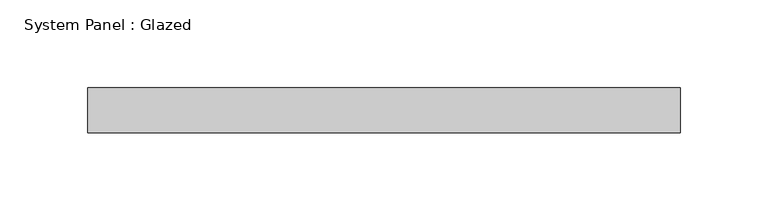
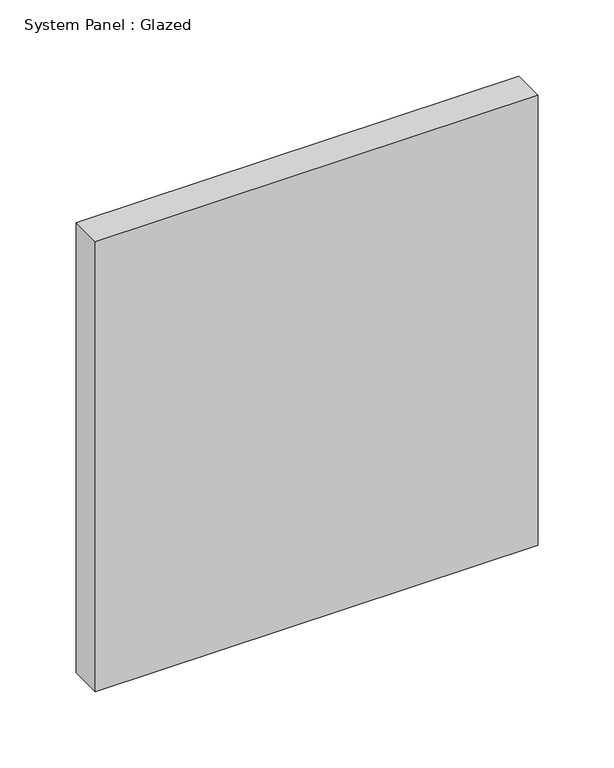
"""IFC4 building model written with IfcOpenShell, lengths in millimetres: plate geometry, System Panel : Glazed."""

from ifc_helpers import new_model, si_unit, origin, origin_with_axes, place, context, project, spatial, polyline, outline, extrude, source, transform, mapped, element, save


def system_panel_glazed_ddca3bc2(model_context):
    return source(origin(), model_context, "Body", "SweptSolid", [
        extrude(outline(polyline([(168.275, -12.7), (-168.275, -12.7), (-168.275, 12.7), (168.275, 12.7), (168.275, -12.7)])), origin_with_axes(), (0.0, 0.0, 1.0), 361.45),
    ])


if __name__ == "__main__":
    model = new_model("IFC4")
    model_context = context("Model", 3, world=origin())
    ifc_project = project(units=[si_unit("LENGTHUNIT", "METRE", prefix="MILLI")], contexts=[model_context])
    site = spatial("IfcSite", under=ifc_project)
    building = spatial("IfcBuilding", under=site)
    placement = place(None, origin())
    system_panel_glazed_shape = system_panel_glazed_ddca3bc2(model_context)
    element("IfcPlate", 1, ObjectType="System Panel : Glazed", at=placement, inside=building, context=model_context, shape_type="MappedRepresentation", body=[
        mapped(system_panel_glazed_shape, transform((0.0, 0.0, 0.0), x_axis=(1.0, 0.0, 0.0), y_axis=(0.0, 1.0, 0.0), z_axis=(0.0, 0.0, 1.0))),
    ])
    save(model, "model.ifc")
